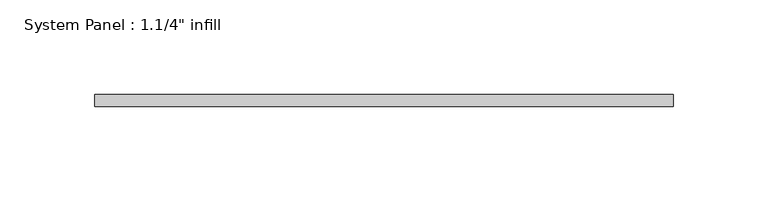
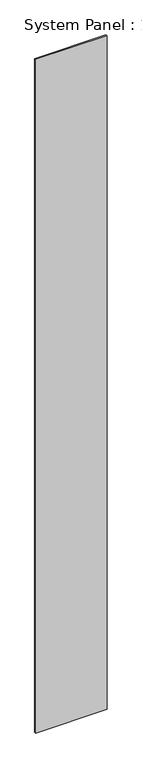
"""IFC4 building model written with IfcOpenShell, lengths in millimetres: plate geometry."""

from ifc_helpers import new_model, si_unit, origin, origin_with_axes, place, context, project, spatial, polyline, outline, extrude, source, transform, mapped, element, save


def plate_c4fc623b(model_context):
    return source(origin(), model_context, "Body", "SweptSolid", [
        extrude(outline(polyline([(153.0571532, -6.2507813), (-153.0571532, -6.2507813), (-153.0571532, 0.0992187), (153.0571532, 0.0992187), (153.0571532, -6.2507813)])), origin_with_axes(), (0.0, 0.0, 1.0), 3048.0),
    ])


if __name__ == "__main__":
    model = new_model("IFC4")
    model_context = context("Model", 3, world=origin())
    ifc_project = project(units=[si_unit("LENGTHUNIT", "METRE", prefix="MILLI")], contexts=[model_context])
    site = spatial("IfcSite", under=ifc_project)
    building = spatial("IfcBuilding", under=site)
    placement = place(None, origin())
    plate_shape = plate_c4fc623b(model_context)
    element("IfcPlate", 1, ObjectType="System Panel : 1.1/4\" infill", at=placement, inside=building, context=model_context, shape_type="MappedRepresentation", body=[
        mapped(plate_shape, transform((0.0, 0.0, 0.0), x_axis=(1.0, 0.0, 0.0), y_axis=(0.0, 1.0, 0.0), z_axis=(0.0, 0.0, 1.0))),
    ])
    save(model, "model.ifc")
